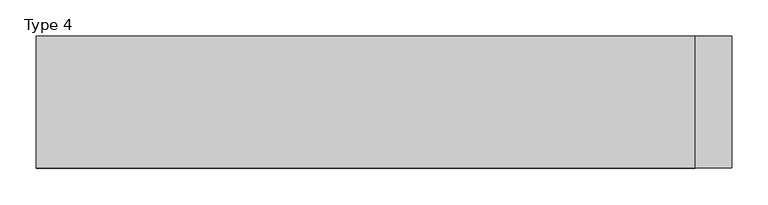
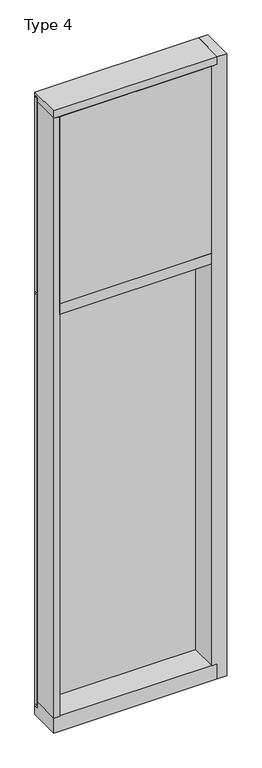
"""IFC4 building model written with IfcOpenShell, lengths in millimetres: plate geometry, Type 4."""

import ifcopenshell
import ifcopenshell.guid

model = None  # the IFC model being written
_history = None  # IfcOwnerHistory: only IFC2X3 demands one
_inside = {}  # id of a spatial element -> (the spatial element, [elements in it])
_under = {}  # id of a project, library or spatial element -> (it, [spatial elements below it])
_declared = {}  # id of a project -> (the project, [libraries it declares])
_typed = {}  # id of a type object -> (the type object, [elements of that type])
_made_of = {}  # id of a material, layer set ... -> (it, [elements and type objects made of it])


def new_model(schema):
    """Start an empty IFC model of exactly this schema.

    Asked for "IFC4X3", IfcOpenShell would pick the latest addendum, in which some entities
    have other attributes; the version numbers below select the first issue.
    IFC2X3 requires an IfcOwnerHistory on every rooted entity: one is made here for all.
    """
    global model, _history
    if schema == "IFC4X3":
        model = ifcopenshell.file(schema_version=(4, 3, 0, 0))
    else:
        model = ifcopenshell.file(schema=schema)
    _inside.clear()
    _under.clear()
    _declared.clear()
    _typed.clear()
    _made_of.clear()
    _history = None
    if model.schema == "IFC2X3":
        org = make("IfcOrganization", Name="unknown")
        user = make(
            "IfcPersonAndOrganization",
            ThePerson=make("IfcPerson", FamilyName="unknown"),
            TheOrganization=org,
        )
        app = make(
            "IfcApplication",
            ApplicationDeveloper=org,
            Version="unknown",
            ApplicationFullName="unknown",
            ApplicationIdentifier="unknown",
        )
        _history = make(
            "IfcOwnerHistory",
            OwningUser=user,
            OwningApplication=app,
            ChangeAction="ADDED",
            CreationDate=0,
        )
    return model


def make(cls, **values):
    """One entity of the class cls with the attributes given. An attribute that is None is left unset."""
    return model.create_entity(
        cls, **{name: value for name, value in values.items() if value is not None}
    )


def rooted(cls, **values):
    """An entity with a GlobalId (a new one), such as an element, a storey or a relation."""
    return make(cls, GlobalId=ifcopenshell.guid.new(), OwnerHistory=_history, **values)


def si_unit(unit_type, name, prefix=None):
    """IfcSIUnit, for example si_unit("LENGTHUNIT", "METRE", prefix="MILLI")."""
    return make("IfcSIUnit", UnitType=unit_type, Prefix=prefix, Name=name)


def assignment(units):
    """IfcUnitAssignment: the units of a project."""
    return None if units is None else make("IfcUnitAssignment", Units=units)


def point(xyz):
    """IfcCartesianPoint."""
    return None if xyz is None else make("IfcCartesianPoint", Coordinates=xyz)


def direction(xyz):
    """IfcDirection."""
    return None if xyz is None else make("IfcDirection", DirectionRatios=xyz)


def frame(location, z_axis=None, x_axis=None):
    """IfcAxis2Placement3D, a coordinate frame: its origin and axes. An axis left out is left unset."""
    return make(
        "IfcAxis2Placement3D",
        Location=point(location),
        Axis=direction(z_axis),
        RefDirection=direction(x_axis),
    )


def origin():
    """The frame at (0, 0, 0) with its axes left unset."""
    return frame((0.0, 0.0, 0.0))


def place(relative_to, where):
    """IfcLocalPlacement: puts the frame where relative to a parent placement (None: the world)."""
    return make(
        "IfcLocalPlacement", PlacementRelTo=relative_to, RelativePlacement=where
    )


def context(
    kind, dimensions, precision=None, world=None, true_north=None, identifier=None
):
    """IfcGeometricRepresentationContext, for example the 3D "Model" context."""
    return make(
        "IfcGeometricRepresentationContext",
        ContextIdentifier=identifier,
        ContextType=kind,
        CoordinateSpaceDimension=dimensions,
        Precision=precision,
        WorldCoordinateSystem=world,
        TrueNorth=true_north,
    )


def project(units=None, contexts=None):
    """IfcProject with its units and contexts."""
    return rooted(
        "IfcProject",
        Name="project",
        RepresentationContexts=contexts,
        UnitsInContext=assignment(units),
    )


def spatial(cls, under=None, at=None, **own):
    """A site, building, storey or space (cls), placed at a placement, below another one or the project."""
    s = rooted(cls, ObjectPlacement=at, **own)
    if under is not None:
        _under.setdefault(under.id(), (under, []))[1].append(s)
    return s


def polyline(points):
    """IfcPolyline through the points."""
    return make("IfcPolyline", Points=[point(p) for p in points])


def outline(outer, holes=None, kind="AREA"):
    """IfcArbitraryClosedProfileDef: a profile drawn as a closed curve; with holes, ...WithVoids."""
    if holes is None:
        return make("IfcArbitraryClosedProfileDef", ProfileType=kind, OuterCurve=outer)
    return make(
        "IfcArbitraryProfileDefWithVoids",
        ProfileType=kind,
        OuterCurve=outer,
        InnerCurves=holes,
    )


def extrude(swept, where, along, depth):
    """IfcExtrudedAreaSolid: the profile swept, set in the frame where, extruded along a direction by depth."""
    return make(
        "IfcExtrudedAreaSolid",
        SweptArea=swept,
        Position=where,
        ExtrudedDirection=direction(along),
        Depth=depth,
    )


def faces_of(points, faces, orient=None, outer=None):
    """IfcFace entities. A face is a list of loops; a loop is a list of indices into points, from 0.

    orient and outer hold one flag for each loop. By default every Orientation is true, the
    first loop of a face is its IfcFaceOuterBound and the others are IfcFaceBound.
    """
    made = []
    for i, loops in enumerate(faces):
        bounds = []
        for j, loop in enumerate(loops):
            is_outer = j == 0 if outer is None else outer[i][j]
            bounds.append(
                make(
                    "IfcFaceOuterBound" if is_outer else "IfcFaceBound",
                    Bound=make("IfcPolyLoop", Polygon=[points[k] for k in loop]),
                    Orientation=True if orient is None else orient[i][j],
                )
            )
        made.append(make("IfcFace", Bounds=bounds))
    return made


def faceted_brep(points, faces, orient=None, outer=None, voids=None):
    """IfcFacetedBrep: a solid bounded by flat faces; with voids (closed shells), ...WithVoids."""
    shared = [point(p) for p in points]
    hull = make("IfcClosedShell", CfsFaces=faces_of(shared, faces, orient, outer))
    if voids is None:
        return make("IfcFacetedBrep", Outer=hull)
    return make(
        "IfcFacetedBrepWithVoids",
        Outer=hull,
        Voids=[
            make(cls, CfsFaces=faces_of(shared, fs, o, b)) for cls, fs, o, b in voids
        ],
    )


def shape(context_of_items, identifier, shape_type, items):
    """IfcShapeRepresentation: the items that make up one representation, for example the "Body"."""
    return make(
        "IfcShapeRepresentation",
        ContextOfItems=context_of_items,
        RepresentationIdentifier=identifier,
        RepresentationType=shape_type,
        Items=items,
    )


def source(mapping_origin, context_of_items, identifier, shape_type, items):
    """IfcRepresentationMap: a shape defined once, which mapped items show again and again."""
    return make(
        "IfcRepresentationMap",
        MappingOrigin=mapping_origin,
        MappedRepresentation=shape(context_of_items, identifier, shape_type, items),
    )


def transform(
    local_origin,
    x_axis=None,
    y_axis=None,
    z_axis=None,
    scale=None,
    scale2=None,
    scale3=None,
    uniform=True,
):
    """IfcCartesianTransformationOperator3D, or its non-uniform kind. x_axis, y_axis, z_axis: its Axis1, 2, 3."""
    if uniform:
        return make(
            "IfcCartesianTransformationOperator3D",
            Axis1=direction(x_axis),
            Axis2=direction(y_axis),
            LocalOrigin=point(local_origin),
            Scale=scale,
            Axis3=direction(z_axis),
        )
    return make(
        "IfcCartesianTransformationOperator3DnonUniform",
        Axis1=direction(x_axis),
        Axis2=direction(y_axis),
        LocalOrigin=point(local_origin),
        Scale=scale,
        Axis3=direction(z_axis),
        Scale2=scale2,
        Scale3=scale3,
    )


def mapped(mapping_source, mapping_target):
    """IfcMappedItem: shows the shape of a source again, moved by a transform."""
    return make(
        "IfcMappedItem", MappingSource=mapping_source, MappingTarget=mapping_target
    )


def made_of(thing, what):
    """Note that an element or type object is made of a material, layer set ...; save() writes the relation."""
    if what is not None:
        _made_of.setdefault(what.id(), (what, []))[1].append(thing)
    return thing


def element(
    cls,
    number,
    at=None,
    inside=None,
    cuts=None,
    type_object=None,
    material=None,
    context=None,
    identifier="Body",
    shape_type=None,
    held_by="IfcProductDefinitionShape",
    body=None,
    shapes=None,
    **own,
):
    """One element of the class cls, such as IfcWall. Its Tag is "e" and its number.

    at: its placement. inside: the storey or other place that contains it. cuts: it is an
    opening in that element (IfcRelVoidsElement). A single representation is given by context,
    identifier, shape_type and body (its items); several are given by shapes. held_by: the class
    of the entity that holds the representations. save() writes the other relations.
    """
    e = rooted(cls, Tag="e%d" % number, ObjectPlacement=at, **own)
    if body is not None:
        shapes = [shape(context, identifier, shape_type, body)]
    if shapes is not None:
        e.Representation = make(held_by, Representations=shapes)
    if inside is not None:
        _inside.setdefault(inside.id(), (inside, []))[1].append(e)
    if cuts is not None:
        rooted(
            "IfcRelVoidsElement", RelatingBuildingElement=cuts, RelatedOpeningElement=e
        )
    if type_object is not None:
        _typed.setdefault(type_object.id(), (type_object, []))[1].append(e)
    return made_of(e, material)


def aggregate(whole, parts):
    """IfcRelAggregates: a whole, such as a stair, and the parts it consists of."""
    return rooted("IfcRelAggregates", RelatingObject=whole, RelatedObjects=parts)


def save(model, path):
    """Write the relations noted so far, then the file.

    IfcRelAggregates (storeys below a building ...), IfcRelContainedInSpatialStructure (elements
    in a storey), IfcRelDefinesByType, IfcRelAssociatesMaterial and IfcRelDeclares: one each for
    every whole, place, type object, material and project.
    """
    for whole, parts in _under.values():
        aggregate(whole, parts)
    for where, things in _inside.values():
        rooted(
            "IfcRelContainedInSpatialStructure",
            RelatedElements=things,
            RelatingStructure=where,
        )
    for kind, things in _typed.values():
        rooted("IfcRelDefinesByType", RelatedObjects=things, RelatingType=kind)
    for what, things in _made_of.values():
        rooted("IfcRelAssociatesMaterial", RelatedObjects=things, RelatingMaterial=what)
    for by, libraries in _declared.values():
        rooted("IfcRelDeclares", RelatingContext=by, RelatedDefinitions=libraries)
    model.write(path)


def type_4_8af673cb(model_context):
    return source(origin(), model_context, "Body", "SolidModel", [
        extrude(outline(polyline([(-457.3130925, -155.9814), (-457.3130925, 2.286), (-425.5630925, 2.286), (-425.5630925, -155.9814), (-457.3130925, -155.9814)])), frame((0.0, 0.0, 31.75), z_axis=(0.0, 0.0, 1.0), x_axis=(1.0, 0.0, 0.0)), (0.0, 0.0, 1.0), 3543.3),
        faceted_brep([(508.1130925, -155.9814, 3619.5), (508.1130925, 27.686, 3619.5), (457.3130925, 27.686, 3619.5), (457.3130925, -155.9814, 3619.5), (508.1130925, -155.9814, -57.15), (457.3130925, -155.9814, -57.15), (457.3130925, 27.686, -57.15), (508.1130925, 27.686, -57.15), (457.3130925, -155.9814, 3575.05), (425.5630925, -155.9814, 3575.05), (425.5630925, -155.9814, 31.75), (457.3130925, -155.9814, 31.75), (457.3130925, 2.286, 31.75), (457.3130925, 2.286, 3575.05), (425.5630925, 2.286, 3575.05), (425.5630925, 2.286, 31.75)], [[[0, 1, 2, 3]], [[4, 5, 6, 7]], [[0, 3, 8, 9, 10, 11, 5, 4]], [[3, 2, 6, 5, 11, 12, 13, 8]], [[1, 0, 4, 7]], [[2, 1, 7, 6]], [[13, 14, 9, 8]], [[11, 10, 15, 12]], [[9, 14, 15, 10]], [[14, 13, 12, 15]]]),
        extrude(outline(polyline([(425.5641817, -48.6409999), (425.5641817, -156.32684), (-425.5630925, -156.32684), (-425.5630925, -48.6409999), (425.5641817, -48.6409999)])), frame((0.0, 0.0, 2470.15), z_axis=(0.0, 0.0, 1.0), x_axis=(1.0, 0.0, 0.0)), (0.0, 0.0, 1.0), 1104.9984372),
        extrude(outline(polyline([(457.3130925, 27.6881517), (457.3130925, 11.2982336), (444.6141817, 11.2982336), (444.6141817, 27.6881517), (457.3130925, 27.6881517)])), frame((0.0, 0.0, 2444.75), z_axis=(0.0, 0.0, 1.0), x_axis=(1.0, 0.0, 0.0)), (0.0, 0.0, 1.0), 1149.35),
        extrude(outline(polyline([(-444.6141817, 27.6881517), (-444.6141817, 11.2982336), (-457.3130925, 11.2982336), (-457.3130925, 27.6881517), (-444.6141817, 27.6881517)])), frame((0.0, 0.0, 2444.75), z_axis=(0.0, 0.0, 1.0), x_axis=(1.0, 0.0, 0.0)), (0.0, 0.0, 1.0), 1149.35),
        extrude(outline(polyline([(444.6141817, 27.686), (444.6141817, 2.286), (-444.6141817, 2.286), (-444.6141817, 27.686), (444.6141817, 27.686)])), frame((0.0, 0.0, 2444.75), z_axis=(0.0, 0.0, 1.0), x_axis=(1.0, 0.0, 0.0)), (0.0, 0.0, 1.0), 1149.35),
        extrude(outline(polyline([(457.3130925, 27.6881517), (457.3130925, 11.2982336), (444.6141817, 11.2982336), (444.6141817, 27.6881517), (457.3130925, 27.6881517)])), frame((0.0, 0.0, 6.35), z_axis=(0.0, 0.0, 1.0), x_axis=(1.0, 0.0, 0.0)), (0.0, 0.0, 1.0), 2425.7),
        extrude(outline(polyline([(-444.6141817, 27.6881517), (-444.6141817, 11.2982336), (-457.3130925, 11.2982336), (-457.3130925, 27.6881517), (-444.6141817, 27.6881517)])), frame((0.0, 0.0, 6.35), z_axis=(0.0, 0.0, 1.0), x_axis=(1.0, 0.0, 0.0)), (0.0, 0.0, 1.0), 2425.7),
        extrude(outline(polyline([(444.6141817, 27.686), (444.6141817, 2.286), (-444.6141817, 2.286), (-444.6141817, 27.686), (444.6141817, 27.686)])), frame((0.0, 0.0, 6.35), z_axis=(0.0, 0.0, 1.0), x_axis=(1.0, 0.0, 0.0)), (0.0, 0.0, 1.0), 2425.7),
        extrude(outline(polyline([(457.3130925, 27.686), (457.3130925, 6.35), (-457.3130925, 6.35), (-457.3130925, 27.686), (457.3130925, 27.686)])), frame((0.0, 0.0, 2432.05), z_axis=(0.0, 0.0, 1.0), x_axis=(1.0, 0.0, 0.0)), (0.0, 0.0, 1.0), 12.7),
        extrude(outline(polyline([(-457.3130925, 15.9510838), (-457.3130925, 27.6859999), (457.3130925, 27.6859999), (457.3130925, 15.9510838), (-457.3130925, 15.9510838)])), frame((0.0, 0.0, 3594.7366239), z_axis=(0.0, 0.0, 1.0), x_axis=(1.0, 0.0, 0.0)), (0.0, 0.0, 1.0), 6.7161694),
        extrude(outline(polyline([(27.686, 3619.5), (27.686, 3601.4527933), (2.286, 3601.4527933), (2.286, 3575.6866239), (-155.6003929, 3575.6866239), (-155.4081413, 3619.5), (27.686, 3619.5)])), frame((-457.3130925, 0.0, 0.0), z_axis=(1.0, 0.0, 0.0), x_axis=(0.0, 1.0, 0.0)), (0.0, 0.0, 1.0), 914.6261849),
        extrude(outline(polyline([(-457.3130925, 5.0946564), (-457.3130925, 27.6881517), (457.3130925, 27.6881517), (457.3130925, 5.0946564), (-457.3130925, 5.0946564)])), frame((0.0, 0.0, -6.2984797), z_axis=(0.0, 0.0, 1.0), x_axis=(1.0, 0.0, 0.0)), (0.0, 0.0, 1.0), 12.6484797),
        extrude(outline(polyline([(-425.5630925, -155.4734), (-425.5630925, 2.2859999), (425.5630925, 2.2859999), (425.5630925, -155.4734), (-425.5630925, -155.4734)])), frame((0.0, 0.0, 2406.65), z_axis=(0.0, 0.0, 1.0), x_axis=(1.0, 0.0, 0.0)), (0.0, 0.0, 1.0), 63.5),
        extrude(outline(polyline([(2.2859999, 31.75), (2.2859999, -6.2983857), (27.6858239, -6.2983857), (27.6858239, -57.15), (-155.6004, -57.15), (-155.6004, 31.75), (2.2859999, 31.75)])), frame((-457.3130925, 0.0, 0.0), z_axis=(1.0, 0.0, 0.0), x_axis=(0.0, 1.0, 0.0)), (0.0, 0.0, 1.0), 914.6261849),
    ])


if __name__ == "__main__":
    model = new_model("IFC4")
    model_context = context("Model", 3, world=origin())
    ifc_project = project(units=[si_unit("LENGTHUNIT", "METRE", prefix="MILLI")], contexts=[model_context])
    site = spatial("IfcSite", under=ifc_project)
    building = spatial("IfcBuilding", under=site)
    placement = place(None, origin())
    type_4_shape = type_4_8af673cb(model_context)
    element("IfcPlate", 1, ObjectType="Type 4", at=placement, inside=building, context=model_context, shape_type="MappedRepresentation", body=[
        mapped(type_4_shape, transform((0.0, 0.0, 0.0), x_axis=(1.0, 0.0, 0.0), y_axis=(0.0, 1.0, 0.0), z_axis=(0.0, 0.0, 1.0))),
    ])
    save(model, "model.ifc")
